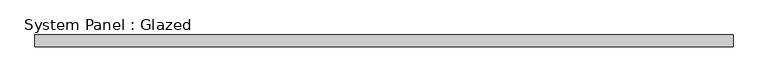
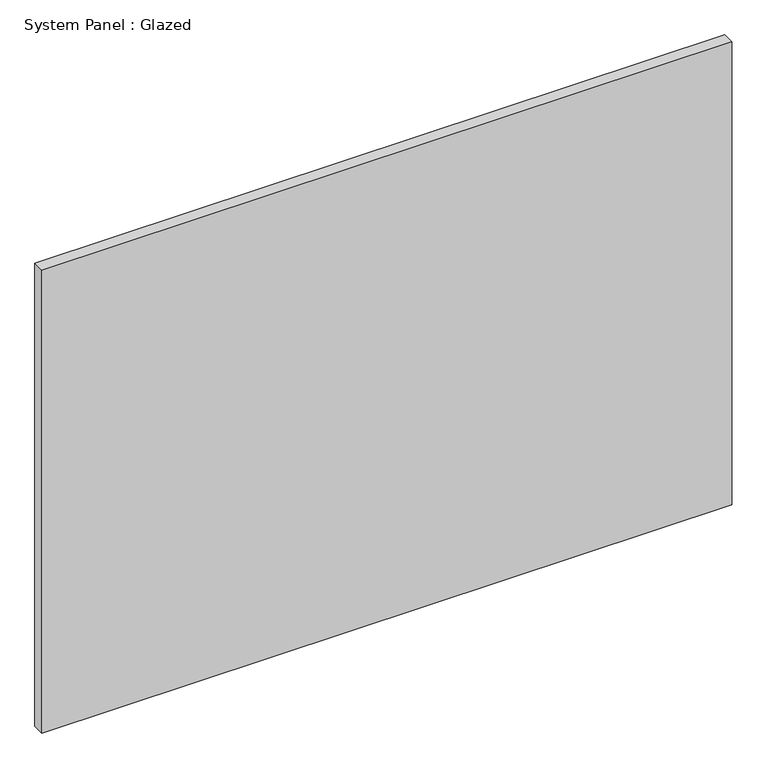
"""IFC4 building model written with IfcOpenShell, lengths in millimetres: plate geometry, System Panel : Glazed."""

import ifcopenshell
import ifcopenshell.guid

model = None  # the IFC model being written
_history = None  # IfcOwnerHistory: only IFC2X3 demands one
_inside = {}  # id of a spatial element -> (the spatial element, [elements in it])
_under = {}  # id of a project, library or spatial element -> (it, [spatial elements below it])
_declared = {}  # id of a project -> (the project, [libraries it declares])
_typed = {}  # id of a type object -> (the type object, [elements of that type])
_made_of = {}  # id of a material, layer set ... -> (it, [elements and type objects made of it])


def new_model(schema):
    """Start an empty IFC model of exactly this schema.

    Asked for "IFC4X3", IfcOpenShell would pick the latest addendum, in which some entities
    have other attributes; the version numbers below select the first issue.
    IFC2X3 requires an IfcOwnerHistory on every rooted entity: one is made here for all.
    """
    global model, _history
    if schema == "IFC4X3":
        model = ifcopenshell.file(schema_version=(4, 3, 0, 0))
    else:
        model = ifcopenshell.file(schema=schema)
    _inside.clear()
    _under.clear()
    _declared.clear()
    _typed.clear()
    _made_of.clear()
    _history = None
    if model.schema == "IFC2X3":
        org = make("IfcOrganization", Name="unknown")
        user = make(
            "IfcPersonAndOrganization",
            ThePerson=make("IfcPerson", FamilyName="unknown"),
            TheOrganization=org,
        )
        app = make(
            "IfcApplication",
            ApplicationDeveloper=org,
            Version="unknown",
            ApplicationFullName="unknown",
            ApplicationIdentifier="unknown",
        )
        _history = make(
            "IfcOwnerHistory",
            OwningUser=user,
            OwningApplication=app,
            ChangeAction="ADDED",
            CreationDate=0,
        )
    return model


def make(cls, **values):
    """One entity of the class cls with the attributes given. An attribute that is None is left unset."""
    return model.create_entity(
        cls, **{name: value for name, value in values.items() if value is not None}
    )


def rooted(cls, **values):
    """An entity with a GlobalId (a new one), such as an element, a storey or a relation."""
    return make(cls, GlobalId=ifcopenshell.guid.new(), OwnerHistory=_history, **values)


def si_unit(unit_type, name, prefix=None):
    """IfcSIUnit, for example si_unit("LENGTHUNIT", "METRE", prefix="MILLI")."""
    return make("IfcSIUnit", UnitType=unit_type, Prefix=prefix, Name=name)


def assignment(units):
    """IfcUnitAssignment: the units of a project."""
    return None if units is None else make("IfcUnitAssignment", Units=units)


def point(xyz):
    """IfcCartesianPoint."""
    return None if xyz is None else make("IfcCartesianPoint", Coordinates=xyz)


def direction(xyz):
    """IfcDirection."""
    return None if xyz is None else make("IfcDirection", DirectionRatios=xyz)


def frame(location, z_axis=None, x_axis=None):
    """IfcAxis2Placement3D, a coordinate frame: its origin and axes. An axis left out is left unset."""
    return make(
        "IfcAxis2Placement3D",
        Location=point(location),
        Axis=direction(z_axis),
        RefDirection=direction(x_axis),
    )


def origin():
    """The frame at (0, 0, 0) with its axes left unset."""
    return frame((0.0, 0.0, 0.0))


def origin_with_axes():
    """The frame at (0, 0, 0) with the z axis (0, 0, 1) and the x axis (1, 0, 0) written out."""
    return frame((0.0, 0.0, 0.0), z_axis=(0.0, 0.0, 1.0), x_axis=(1.0, 0.0, 0.0))


def place(relative_to, where):
    """IfcLocalPlacement: puts the frame where relative to a parent placement (None: the world)."""
    return make(
        "IfcLocalPlacement", PlacementRelTo=relative_to, RelativePlacement=where
    )


def context(
    kind, dimensions, precision=None, world=None, true_north=None, identifier=None
):
    """IfcGeometricRepresentationContext, for example the 3D "Model" context."""
    return make(
        "IfcGeometricRepresentationContext",
        ContextIdentifier=identifier,
        ContextType=kind,
        CoordinateSpaceDimension=dimensions,
        Precision=precision,
        WorldCoordinateSystem=world,
        TrueNorth=true_north,
    )


def project(units=None, contexts=None):
    """IfcProject with its units and contexts."""
    return rooted(
        "IfcProject",
        Name="project",
        RepresentationContexts=contexts,
        UnitsInContext=assignment(units),
    )


def spatial(cls, under=None, at=None, **own):
    """A site, building, storey or space (cls), placed at a placement, below another one or the project."""
    s = rooted(cls, ObjectPlacement=at, **own)
    if under is not None:
        _under.setdefault(under.id(), (under, []))[1].append(s)
    return s


def polyline(points):
    """IfcPolyline through the points."""
    return make("IfcPolyline", Points=[point(p) for p in points])


def outline(outer, holes=None, kind="AREA"):
    """IfcArbitraryClosedProfileDef: a profile drawn as a closed curve; with holes, ...WithVoids."""
    if holes is None:
        return make("IfcArbitraryClosedProfileDef", ProfileType=kind, OuterCurve=outer)
    return make(
        "IfcArbitraryProfileDefWithVoids",
        ProfileType=kind,
        OuterCurve=outer,
        InnerCurves=holes,
    )


def extrude(swept, where, along, depth):
    """IfcExtrudedAreaSolid: the profile swept, set in the frame where, extruded along a direction by depth."""
    return make(
        "IfcExtrudedAreaSolid",
        SweptArea=swept,
        Position=where,
        ExtrudedDirection=direction(along),
        Depth=depth,
    )


def shape(context_of_items, identifier, shape_type, items):
    """IfcShapeRepresentation: the items that make up one representation, for example the "Body"."""
    return make(
        "IfcShapeRepresentation",
        ContextOfItems=context_of_items,
        RepresentationIdentifier=identifier,
        RepresentationType=shape_type,
        Items=items,
    )


def source(mapping_origin, context_of_items, identifier, shape_type, items):
    """IfcRepresentationMap: a shape defined once, which mapped items show again and again."""
    return make(
        "IfcRepresentationMap",
        MappingOrigin=mapping_origin,
        MappedRepresentation=shape(context_of_items, identifier, shape_type, items),
    )


def transform(
    local_origin,
    x_axis=None,
    y_axis=None,
    z_axis=None,
    scale=None,
    scale2=None,
    scale3=None,
    uniform=True,
):
    """IfcCartesianTransformationOperator3D, or its non-uniform kind. x_axis, y_axis, z_axis: its Axis1, 2, 3."""
    if uniform:
        return make(
            "IfcCartesianTransformationOperator3D",
            Axis1=direction(x_axis),
            Axis2=direction(y_axis),
            LocalOrigin=point(local_origin),
            Scale=scale,
            Axis3=direction(z_axis),
        )
    return make(
        "IfcCartesianTransformationOperator3DnonUniform",
        Axis1=direction(x_axis),
        Axis2=direction(y_axis),
        LocalOrigin=point(local_origin),
        Scale=scale,
        Axis3=direction(z_axis),
        Scale2=scale2,
        Scale3=scale3,
    )


def mapped(mapping_source, mapping_target):
    """IfcMappedItem: shows the shape of a source again, moved by a transform."""
    return make(
        "IfcMappedItem", MappingSource=mapping_source, MappingTarget=mapping_target
    )


def made_of(thing, what):
    """Note that an element or type object is made of a material, layer set ...; save() writes the relation."""
    if what is not None:
        _made_of.setdefault(what.id(), (what, []))[1].append(thing)
    return thing


def element(
    cls,
    number,
    at=None,
    inside=None,
    cuts=None,
    type_object=None,
    material=None,
    context=None,
    identifier="Body",
    shape_type=None,
    held_by="IfcProductDefinitionShape",
    body=None,
    shapes=None,
    **own,
):
    """One element of the class cls, such as IfcWall. Its Tag is "e" and its number.

    at: its placement. inside: the storey or other place that contains it. cuts: it is an
    opening in that element (IfcRelVoidsElement). A single representation is given by context,
    identifier, shape_type and body (its items); several are given by shapes. held_by: the class
    of the entity that holds the representations. save() writes the other relations.
    """
    e = rooted(cls, Tag="e%d" % number, ObjectPlacement=at, **own)
    if body is not None:
        shapes = [shape(context, identifier, shape_type, body)]
    if shapes is not None:
        e.Representation = make(held_by, Representations=shapes)
    if inside is not None:
        _inside.setdefault(inside.id(), (inside, []))[1].append(e)
    if cuts is not None:
        rooted(
            "IfcRelVoidsElement", RelatingBuildingElement=cuts, RelatedOpeningElement=e
        )
    if type_object is not None:
        _typed.setdefault(type_object.id(), (type_object, []))[1].append(e)
    return made_of(e, material)


def aggregate(whole, parts):
    """IfcRelAggregates: a whole, such as a stair, and the parts it consists of."""
    return rooted("IfcRelAggregates", RelatingObject=whole, RelatedObjects=parts)


def save(model, path):
    """Write the relations noted so far, then the file.

    IfcRelAggregates (storeys below a building ...), IfcRelContainedInSpatialStructure (elements
    in a storey), IfcRelDefinesByType, IfcRelAssociatesMaterial and IfcRelDeclares: one each for
    every whole, place, type object, material and project.
    """
    for whole, parts in _under.values():
        aggregate(whole, parts)
    for where, things in _inside.values():
        rooted(
            "IfcRelContainedInSpatialStructure",
            RelatedElements=things,
            RelatingStructure=where,
        )
    for kind, things in _typed.values():
        rooted("IfcRelDefinesByType", RelatedObjects=things, RelatingType=kind)
    for what, things in _made_of.values():
        rooted("IfcRelAssociatesMaterial", RelatedObjects=things, RelatingMaterial=what)
    for by, libraries in _declared.values():
        rooted("IfcRelDeclares", RelatingContext=by, RelatedDefinitions=libraries)
    model.write(path)


def system_panel_glazed_7119d20c(model_context):
    return source(origin(), model_context, "Body", "SweptSolid", [
        extrude(outline(polyline([(722.5000001, 24.5), (-722.5000001, 24.5), (-722.5000001, 49.5), (722.5000001, 49.5), (722.5000001, 24.5)])), origin_with_axes(), (0.0, 0.0, 1.0), 1025.0),
    ])


if __name__ == "__main__":
    model = new_model("IFC4")
    model_context = context("Model", 3, world=origin())
    ifc_project = project(units=[si_unit("LENGTHUNIT", "METRE", prefix="MILLI")], contexts=[model_context])
    site = spatial("IfcSite", under=ifc_project)
    building = spatial("IfcBuilding", under=site)
    placement = place(None, origin())
    system_panel_glazed_shape = system_panel_glazed_7119d20c(model_context)
    element("IfcPlate", 1, ObjectType="System Panel : Glazed", at=placement, inside=building, context=model_context, shape_type="MappedRepresentation", body=[
        mapped(system_panel_glazed_shape, transform((0.0, 0.0, 0.0), x_axis=(1.0, 0.0, 0.0), y_axis=(0.0, 1.0, 0.0), z_axis=(0.0, 0.0, 1.0))),
    ])
    save(model, "model.ifc")
